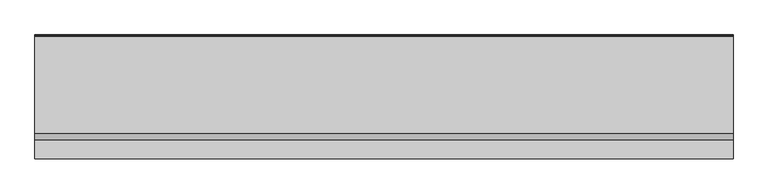
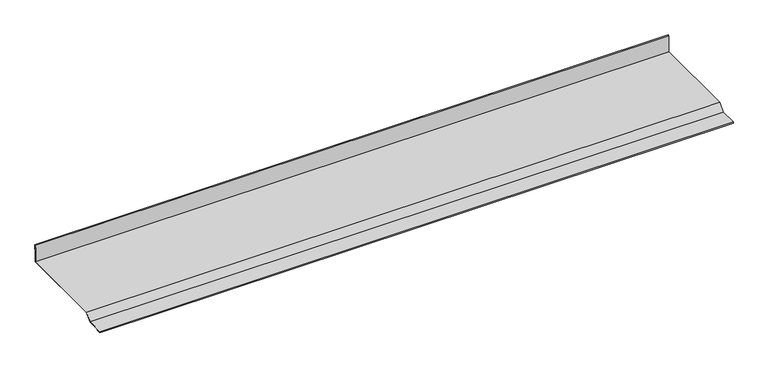
"""IFC4 building model written with IfcOpenShell, lengths in millimetres: proxy geometry."""

from ifc_helpers import new_model, si_unit, frame, origin, place, context, project, spatial, polyline, outline, extrude, source, transform, mapped, element, save


def generic_models_fef35e48(model_context):
    return source(origin(), model_context, "Body", "SweptSolid", [
        extrude(outline(polyline([(-65.0, 5.0), (-50.0, 20.0), (158.9998477, 20.0), (158.2846036, 60.9763031), (161.2841467, 61.0286603), (161.4805926, 49.7742843), (160.4807449, 49.7568318), (160.3017514, 60.0113602), (159.3019037, 59.9939078), (160.0, 20.0), (160.0, 19.0), (-49.5857864, 19.0), (-64.5857864, 4.0), (-104.0, 4.0), (-104.0, 3.0), (-95.0, 3.0), (-95.0, 2.0), (-105.0, 2.0), (-105.0, 5.0), (-65.0, 5.0)])), frame((0.0, 0.0, 0.0), z_axis=(1.0, 0.0, 0.0), x_axis=(0.0, 1.0, 0.0)), (0.0, 0.0, 1.0), 1500.0),
    ])


if __name__ == "__main__":
    model = new_model("IFC4")
    model_context = context("Model", 3, world=origin())
    ifc_project = project(units=[si_unit("LENGTHUNIT", "METRE", prefix="MILLI")], contexts=[model_context])
    site = spatial("IfcSite", under=ifc_project)
    building = spatial("IfcBuilding", under=site)
    placement = place(None, origin())
    generic_models_shape = generic_models_fef35e48(model_context)
    element("IfcBuildingElementProxy", 1, Name="Generic Models", at=placement, inside=building, context=model_context, shape_type="MappedRepresentation", body=[
        mapped(generic_models_shape, transform((0.0, 0.0, 0.0), x_axis=(1.0, 0.0, 0.0), y_axis=(0.0, 1.0, 0.0), z_axis=(0.0, 0.0, 1.0))),
    ])
    save(model, "model.ifc")
